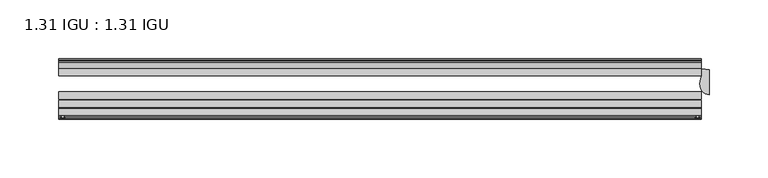
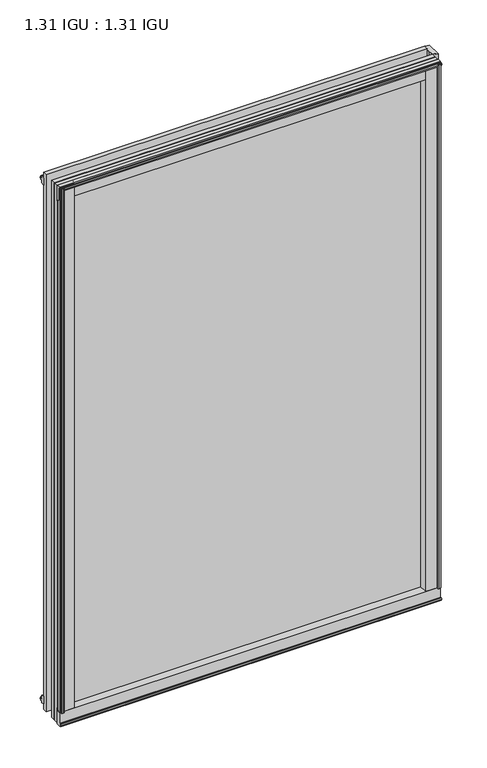
"""IFC4 building model written with IfcOpenShell, lengths in millimetres: plate geometry, 1.31 IGU : 1.31 IGU."""

from ifc_helpers import new_model, si_unit, point, frame, frame_2d, origin, origin_with_axes, place, context, project, spatial, polyline, circle_curve, ellipse_curve, trimmed, segment, composite_curve, outline, extrude, source, transform, mapped, element, save
from ifc_brep_helpers import plane_surface, cylinder_surface, revolved_surface, extruded_surface, advanced_brep


def plate_1_31_igu_1_31_igu_3c73eda7(model_context):
    return source(origin(), model_context, "Body", "SolidModel", [
        extrude(outline(composite_curve([segment(polyline([(271.4745906, -57.6333938), (255.2898437, -57.6333938)]), True, "CONTINUOUS"), segment(trimmed(circle_curve(frame_2d((247.9951146, -57.6547678)), 7.2947605), [point((255.2898437, -57.6333938))], [point((251.5474551, -51.2833938))], True, "CARTESIAN"), True, "CONTINUOUS"), segment(polyline([(251.5474551, -51.2833938), (274.417876, -51.2833938)]), True, "CONTINUOUS"), segment(trimmed(circle_curve(frame_2d((274.417876, -52.0707938)), 0.7874), [point((274.417876, -51.2833938))], [point((275.1994069, -51.9748338))], False, "CARTESIAN"), True, "CONTINUOUS"), segment(polyline([(275.1994069, -51.9748338), (275.8941906, -57.6333938), (273.9637906, -57.6333938), (273.5065906, -59.624458), (274.5079525, -59.3561439), (274.7511906, -60.263921), (272.7191906, -60.8083938), (270.6871906, -60.263921), (270.9304288, -59.3561439), (271.9317906, -59.624458), (271.4745906, -57.6333938)]), True, "CONTINUOUS")], self_intersect=False)), origin_with_axes(), (0.0, 0.0, 1.0), 793.75),
        extrude(outline(composite_curve([segment(polyline([(-249.2375, -57.6333937), (-265.4222469, -57.6333937), (-265.8794469, -59.624458), (-264.878085, -59.3561439), (-264.6348469, -60.263921), (-266.6668469, -60.8083937), (-268.6988469, -60.263921), (-268.4556088, -59.3561439), (-267.4542469, -59.624458), (-267.9114469, -57.6333937), (-269.8418469, -57.6333937), (-269.1470631, -51.9748338)]), True, "CONTINUOUS"), segment(trimmed(circle_curve(frame_2d((-268.3655323, -52.0707937)), 0.7874), [point((-269.1470631, -51.9748338))], [point((-268.3655323, -51.2833937))], False, "CARTESIAN"), True, "CONTINUOUS"), segment(polyline([(-268.3655323, -51.2833937), (-245.4951114, -51.2833937)]), True, "CONTINUOUS"), segment(trimmed(circle_curve(frame_2d((-241.9427708, -57.6547678)), 7.2947605), [point((-245.4951114, -51.2833937))], [point((-249.2375, -57.6333937))], True, "CARTESIAN"), True, "CONTINUOUS")], self_intersect=False)), origin_with_axes(), (0.0, 0.0, 1.0), 793.75),
        extrude(outline(polyline([(-9.7543937, -6.8579998), (-10.4009552, -9.2709998), (-11.2596632, -9.0409097), (-10.8839895, -7.6388763), (-13.1833937, -8.3819998), (-13.1833937, -11.7850089), (-17.9585937, -10.1533914), (-17.9585937, 0.6595133), (-13.1833937, -0.5079998), (-13.1833937, -5.4609998), (-10.8839895, -6.0771233), (-11.2596632, -4.6750899), (-10.4009552, -4.4449998), (-9.7543937, -6.8579998)])), frame((-269.875, 0.0, 0.0), z_axis=(1.0, 0.0, 0.0), x_axis=(0.0, 1.0, 0.0)), (0.0, 0.0, 1.0), 545.8023438),
        extrude(outline(composite_curve([segment(polyline([(-51.9748338, -19.930016), (-57.6333937, -20.6247998), (-57.6333937, -18.6943998), (-59.624458, -18.2371998), (-59.3561439, -19.2385617), (-60.263921, -19.4817998), (-60.8083937, -17.4497998), (-60.263921, -15.4177998), (-59.3561439, -15.6610379), (-59.624458, -16.6623998), (-57.6333937, -16.2051998), (-57.6333937, 0.0127002)]), True, "CONTINUOUS"), segment(trimmed(circle_curve(frame_2d((-58.1588233, 7.9620141)), 7.9666598), [point((-57.6333937, 0.0127002))], [point((-51.2833937, 3.9375717))], True, "CARTESIAN"), True, "CONTINUOUS"), segment(polyline([(-51.2833937, 3.9375717), (-51.2833937, -19.1484852)]), True, "CONTINUOUS"), segment(trimmed(circle_curve(frame_2d((-52.0707937, -19.1484852)), 0.7874), [point((-51.2833937, -19.1484852))], [point((-51.9748338, -19.930016))], False, "CARTESIAN"), True, "CONTINUOUS")], self_intersect=False)), frame((-269.875, 0.0, 0.0), z_axis=(1.0, 0.0, 0.0), x_axis=(0.0, 1.0, 0.0)), (0.0, 0.0, 1.0), 545.8023438),
        extrude(outline(polyline([(-17.9585937, 784.8533914), (-13.1833937, 786.4850089), (-13.1833937, 783.0819998), (-10.8839895, 782.3388763), (-11.2596632, 783.7409097), (-10.4009552, 783.9709998), (-9.7543937, 781.5579998), (-10.4009552, 779.1449998), (-11.2596632, 779.3750899), (-10.8839895, 780.7771233), (-13.1833937, 780.1609998), (-13.1833937, 775.2079998), (-17.9585937, 774.0404867), (-17.9585937, 784.8533914)])), frame((-269.875, 0.0, 0.0), z_axis=(1.0, 0.0, 0.0), x_axis=(0.0, 1.0, 0.0)), (0.0, 0.0, 1.0), 545.8023438),
        extrude(outline(composite_curve([segment(trimmed(circle_curve(frame_2d((-52.0707937, 793.8484852)), 0.7874), [point((-51.9748338, 794.630016))], [point((-51.2833937, 793.8484852))], False, "CARTESIAN"), True, "CONTINUOUS"), segment(polyline([(-51.2833937, 793.8484852), (-51.2833937, 770.7624283)]), True, "CONTINUOUS"), segment(trimmed(circle_curve(frame_2d((-58.1588233, 766.7379859)), 7.9666598), [point((-51.2833937, 770.7624283))], [point((-57.6333937, 774.6872998))], True, "CARTESIAN"), True, "CONTINUOUS"), segment(polyline([(-57.6333937, 774.6872998), (-57.6333937, 790.9051998), (-59.624458, 791.3623998), (-59.3561439, 790.3610379), (-60.263921, 790.1177998), (-60.8083937, 792.1497998), (-60.263921, 794.1817998), (-59.3561439, 793.9385617), (-59.624458, 792.9371998), (-57.6333937, 793.3943998), (-57.6333937, 795.3247998), (-51.9748338, 794.630016)]), True, "CONTINUOUS")], self_intersect=False)), frame((-269.875, 0.0, 0.0), z_axis=(1.0, 0.0, 0.0), x_axis=(0.0, 1.0, 0.0)), (0.0, 0.0, 1.0), 545.8023438),
        advanced_brep(
        [(282.575, -18.9011397, 793.75), (276.225, -17.9585938, 793.75), (276.225, -24.3085938, 793.75), (274.7661175, -31.0522938, 793.75), (282.575, -40.2563586, 793.75), (282.575, -18.9011397, 0.0), (282.575, -40.2563586, 0.0), (274.7661175, -31.0522938, 0.0), (276.225, -24.3085938, 0.0), (276.225, -17.9585938, 0.0)],
        [
            (0, 1, circle_curve(frame((282.575, 2.9603377, 793.75), z_axis=(0.0, 0.0, -1.0), x_axis=(0.0, 1.0, 0.0)), 21.8614773)),
            (1, 2),
            (2, 3, circle_curve(frame((291.0819713, -31.0522938, 793.75), z_axis=(0.0, 0.0, 1.0), x_axis=(0.0, 1.0, 0.0)), 16.3158538)),
            (3, 4, ellipse_curve(frame((282.575, -31.0522938, 793.75), z_axis=(0.0, 0.0, 1.0), x_axis=(0.0, -1.0, 0.0)), 9.2040648, 7.8088825)),
            (4, 0),
            (5, 6),
            (6, 7, ellipse_curve(frame((282.575, -31.0522938, 0.0), z_axis=(0.0, 0.0, -1.0), x_axis=(0.0, -1.0, 0.0)), 9.2040648, 7.8088825)),
            (7, 8, circle_curve(frame((291.0819713, -31.0522938, 0.0), z_axis=(0.0, 0.0, -1.0), x_axis=(0.0, 1.0, 0.0)), 16.3158538)),
            (8, 9),
            (9, 5, circle_curve(frame((282.575, 2.9603377, 0.0), z_axis=(0.0, 0.0, 1.0), x_axis=(0.0, 1.0, 0.0)), 21.8614773)),
            (0, 5),
            (9, 1),
            (8, 2),
            (7, 3),
            (6, 4),
        ],
        [
            plane_surface(frame((250.825, -11.6085938, 793.75), z_axis=(0.0, 0.0, 1.0), x_axis=(0.0, 1.0, 0.0))),
            plane_surface(frame((250.825, -11.6085938, 0.0), z_axis=(0.0, 0.0, -1.0), x_axis=(0.0, 1.0, 0.0))),
            revolved_surface(polyline([(282.575, 24.821815, 0.0), (282.575, 24.821815, 793.75)]), (282.575, 2.9603377, 793.75), (0.0, 0.0, -1.0)),
            plane_surface(frame((276.225, -17.9585938, 793.75), z_axis=(-1.0, 0.0, 0.0), x_axis=(0.0, 0.0, -1.0))),
            cylinder_surface(frame((291.0819713, -31.0522938, 793.75), z_axis=(0.0, 0.0, 1.0), x_axis=(0.0, 1.0, 0.0)), 16.3158538),
            extruded_surface(trimmed(ellipse_curve(frame((282.575, -31.0522938, 0.0), z_axis=(0.0, 0.0, 1.0), x_axis=(0.0, -1.0, 0.0)), 9.2040648, 7.8088825), [point((274.7661175, -31.0522938, 0.0))], [point((282.575, -40.2563586, 0.0))], True, "CARTESIAN"), (0.0, 0.0, 793.75), 793.75),
            plane_surface(frame((282.575, -40.2563586, 793.75), z_axis=(1.0, 0.0, 0.0), x_axis=(0.0, 0.0, -1.0))),
        ],
        [
            (0, [[1, 2, 3, 4, 5]]),
            (1, [[6, 7, 8, 9, 10]]),
            (2, [[-1, 11, -10, 12]]),
            (3, [[-2, -12, -9, 13]]),
            (4, [[-3, -13, -8, 14]]),
            (5, [[-4, -14, -7, 15]]),
            (6, [[-5, -15, -6, -11]]),
        ],
    ),
        extrude(outline(polyline([(-258.4638763, -10.8839895), (-259.8659097, -11.2596632), (-260.0959998, -10.4009552), (-257.6829998, -9.7543937), (-255.2699998, -10.4009552), (-255.5000899, -11.2596632), (-256.9021233, -10.8839895), (-256.2859998, -13.1833937), (-251.3329998, -13.1833937), (-250.1654867, -17.9585937), (-260.9783914, -17.9585937), (-262.6100089, -13.1833937), (-259.2069998, -13.1833937), (-258.4638763, -10.8839895)])), origin_with_axes(), (0.0, 0.0, 1.0), 774.7),
        extrude(outline(polyline([(275.9273437, -17.9585937), (275.9273437, -24.3085937), (-269.875, -24.3085937), (-269.875, -17.9585937), (275.9273437, -17.9585937)])), frame((0.0, 0.0, -19.0372998), z_axis=(0.0, 0.0, 1.0), x_axis=(1.0, 0.0, 0.0)), (0.0, 0.0, 1.0), 812.7872998),
        extrude(outline(polyline([(-269.875, -44.1459937), (-269.875, -37.7959937), (275.9273437, -37.7959937), (275.9273437, -44.1459937), (-269.875, -44.1459937)])), frame((0.0, 0.0, -19.0372998), z_axis=(0.0, 0.0, 1.0), x_axis=(1.0, 0.0, 0.0)), (0.0, 0.0, 1.0), 812.7872998),
        extrude(outline(polyline([(-269.875, -51.2833937), (-269.875, -44.9333937), (275.9273437, -44.9333937), (275.9273437, -51.2833937), (-269.875, -51.2833937)])), frame((0.0, 0.0, -19.0372998), z_axis=(0.0, 0.0, 1.0), x_axis=(1.0, 0.0, 0.0)), (0.0, 0.0, 1.0), 812.7872998),
    ])


if __name__ == "__main__":
    model = new_model("IFC4")
    model_context = context("Model", 3, world=origin())
    ifc_project = project(units=[si_unit("LENGTHUNIT", "METRE", prefix="MILLI")], contexts=[model_context])
    site = spatial("IfcSite", under=ifc_project)
    building = spatial("IfcBuilding", under=site)
    placement = place(None, origin())
    plate_1_31_igu_1_31_igu_shape = plate_1_31_igu_1_31_igu_3c73eda7(model_context)
    element("IfcPlate", 1, ObjectType="1.31 IGU : 1.31 IGU", at=placement, inside=building, context=model_context, shape_type="MappedRepresentation", body=[
        mapped(plate_1_31_igu_1_31_igu_shape, transform((0.0, 0.0, 0.0), x_axis=(1.0, 0.0, 0.0), y_axis=(0.0, 1.0, 0.0), z_axis=(0.0, 0.0, 1.0))),
    ])
    save(model, "model.ifc")
